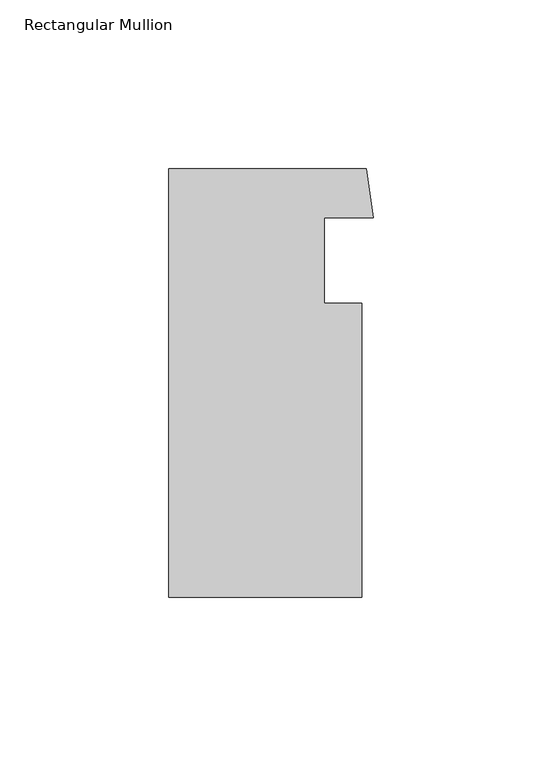
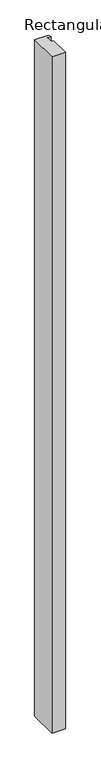
"""IFC4 building model written with IfcOpenShell, lengths in millimetres: member geometry, Rectangular Mullion."""

from ifc_helpers import new_model, si_unit, frame, origin, place, context, project, spatial, polyline, outline, extrude, source, transform, mapped, element, save


def rectangular_mullion_659849e1(model_context):
    return source(origin(), model_context, "Body", "SweptSolid", [
        extrude(outline(polyline([(-60.5455727, 60.7587684), (-2.0551904, 60.7587684), (0.0, 46.2582581), (-14.5080727, 46.2582581), (-14.5080727, 20.8509134), (-3.3955727, 20.8509134), (-3.3955727, -66.2412316), (-60.5455727, -66.2412316), (-60.5455727, 60.7587684)])), frame((0.0, 0.0, -3048.0), z_axis=(0.0, 0.0, 1.0), x_axis=(1.0, 0.0, 0.0)), (0.0, 0.0, 1.0), 3048.0),
    ])


if __name__ == "__main__":
    model = new_model("IFC4")
    model_context = context("Model", 3, world=origin())
    ifc_project = project(units=[si_unit("LENGTHUNIT", "METRE", prefix="MILLI")], contexts=[model_context])
    site = spatial("IfcSite", under=ifc_project)
    building = spatial("IfcBuilding", under=site)
    placement = place(None, origin())
    rectangular_mullion_shape = rectangular_mullion_659849e1(model_context)
    element("IfcMember", 1, ObjectType="Rectangular Mullion", at=placement, inside=building, context=model_context, shape_type="MappedRepresentation", body=[
        mapped(rectangular_mullion_shape, transform((0.0, 0.0, 0.0), x_axis=(1.0, 0.0, 0.0), y_axis=(0.0, 1.0, 0.0), z_axis=(0.0, 0.0, 1.0))),
    ])
    save(model, "model.ifc")
